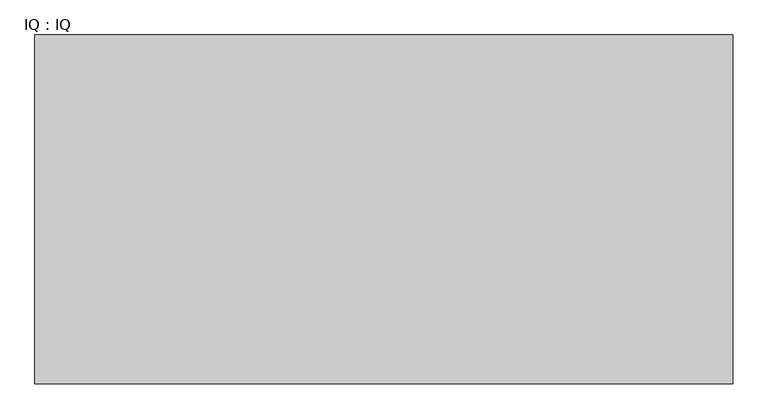
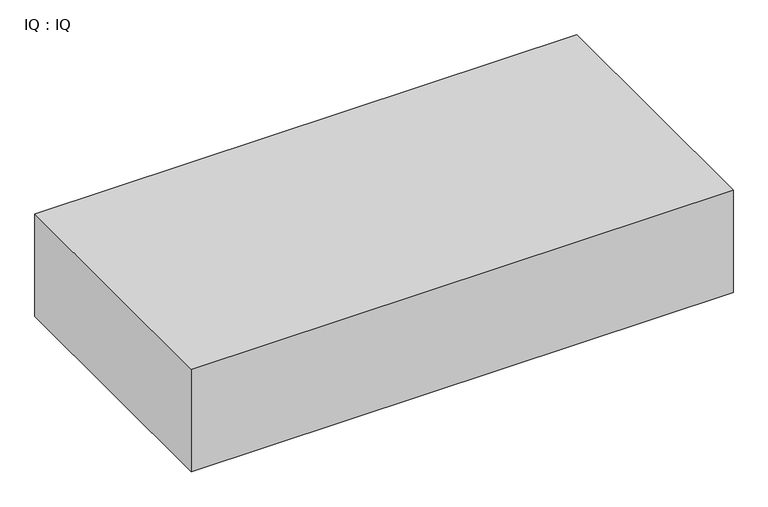
"""IFC4 building model written with IfcOpenShell, lengths in millimetres: proxy geometry, IQ : IQ."""

import ifcopenshell
import ifcopenshell.guid

model = None  # the IFC model being written
_history = None  # IfcOwnerHistory: only IFC2X3 demands one
_inside = {}  # id of a spatial element -> (the spatial element, [elements in it])
_under = {}  # id of a project, library or spatial element -> (it, [spatial elements below it])
_declared = {}  # id of a project -> (the project, [libraries it declares])
_typed = {}  # id of a type object -> (the type object, [elements of that type])
_made_of = {}  # id of a material, layer set ... -> (it, [elements and type objects made of it])


def new_model(schema):
    """Start an empty IFC model of exactly this schema.

    Asked for "IFC4X3", IfcOpenShell would pick the latest addendum, in which some entities
    have other attributes; the version numbers below select the first issue.
    IFC2X3 requires an IfcOwnerHistory on every rooted entity: one is made here for all.
    """
    global model, _history
    if schema == "IFC4X3":
        model = ifcopenshell.file(schema_version=(4, 3, 0, 0))
    else:
        model = ifcopenshell.file(schema=schema)
    _inside.clear()
    _under.clear()
    _declared.clear()
    _typed.clear()
    _made_of.clear()
    _history = None
    if model.schema == "IFC2X3":
        org = make("IfcOrganization", Name="unknown")
        user = make(
            "IfcPersonAndOrganization",
            ThePerson=make("IfcPerson", FamilyName="unknown"),
            TheOrganization=org,
        )
        app = make(
            "IfcApplication",
            ApplicationDeveloper=org,
            Version="unknown",
            ApplicationFullName="unknown",
            ApplicationIdentifier="unknown",
        )
        _history = make(
            "IfcOwnerHistory",
            OwningUser=user,
            OwningApplication=app,
            ChangeAction="ADDED",
            CreationDate=0,
        )
    return model


def make(cls, **values):
    """One entity of the class cls with the attributes given. An attribute that is None is left unset."""
    return model.create_entity(
        cls, **{name: value for name, value in values.items() if value is not None}
    )


def rooted(cls, **values):
    """An entity with a GlobalId (a new one), such as an element, a storey or a relation."""
    return make(cls, GlobalId=ifcopenshell.guid.new(), OwnerHistory=_history, **values)


def si_unit(unit_type, name, prefix=None):
    """IfcSIUnit, for example si_unit("LENGTHUNIT", "METRE", prefix="MILLI")."""
    return make("IfcSIUnit", UnitType=unit_type, Prefix=prefix, Name=name)


def assignment(units):
    """IfcUnitAssignment: the units of a project."""
    return None if units is None else make("IfcUnitAssignment", Units=units)


def point(xyz):
    """IfcCartesianPoint."""
    return None if xyz is None else make("IfcCartesianPoint", Coordinates=xyz)


def direction(xyz):
    """IfcDirection."""
    return None if xyz is None else make("IfcDirection", DirectionRatios=xyz)


def frame(location, z_axis=None, x_axis=None):
    """IfcAxis2Placement3D, a coordinate frame: its origin and axes. An axis left out is left unset."""
    return make(
        "IfcAxis2Placement3D",
        Location=point(location),
        Axis=direction(z_axis),
        RefDirection=direction(x_axis),
    )


def origin():
    """The frame at (0, 0, 0) with its axes left unset."""
    return frame((0.0, 0.0, 0.0))


def place(relative_to, where):
    """IfcLocalPlacement: puts the frame where relative to a parent placement (None: the world)."""
    return make(
        "IfcLocalPlacement", PlacementRelTo=relative_to, RelativePlacement=where
    )


def context(
    kind, dimensions, precision=None, world=None, true_north=None, identifier=None
):
    """IfcGeometricRepresentationContext, for example the 3D "Model" context."""
    return make(
        "IfcGeometricRepresentationContext",
        ContextIdentifier=identifier,
        ContextType=kind,
        CoordinateSpaceDimension=dimensions,
        Precision=precision,
        WorldCoordinateSystem=world,
        TrueNorth=true_north,
    )


def project(units=None, contexts=None):
    """IfcProject with its units and contexts."""
    return rooted(
        "IfcProject",
        Name="project",
        RepresentationContexts=contexts,
        UnitsInContext=assignment(units),
    )


def spatial(cls, under=None, at=None, **own):
    """A site, building, storey or space (cls), placed at a placement, below another one or the project."""
    s = rooted(cls, ObjectPlacement=at, **own)
    if under is not None:
        _under.setdefault(under.id(), (under, []))[1].append(s)
    return s


def polyline(points):
    """IfcPolyline through the points."""
    return make("IfcPolyline", Points=[point(p) for p in points])


def outline(outer, holes=None, kind="AREA"):
    """IfcArbitraryClosedProfileDef: a profile drawn as a closed curve; with holes, ...WithVoids."""
    if holes is None:
        return make("IfcArbitraryClosedProfileDef", ProfileType=kind, OuterCurve=outer)
    return make(
        "IfcArbitraryProfileDefWithVoids",
        ProfileType=kind,
        OuterCurve=outer,
        InnerCurves=holes,
    )


def extrude(swept, where, along, depth):
    """IfcExtrudedAreaSolid: the profile swept, set in the frame where, extruded along a direction by depth."""
    return make(
        "IfcExtrudedAreaSolid",
        SweptArea=swept,
        Position=where,
        ExtrudedDirection=direction(along),
        Depth=depth,
    )


def shape(context_of_items, identifier, shape_type, items):
    """IfcShapeRepresentation: the items that make up one representation, for example the "Body"."""
    return make(
        "IfcShapeRepresentation",
        ContextOfItems=context_of_items,
        RepresentationIdentifier=identifier,
        RepresentationType=shape_type,
        Items=items,
    )


def source(mapping_origin, context_of_items, identifier, shape_type, items):
    """IfcRepresentationMap: a shape defined once, which mapped items show again and again."""
    return make(
        "IfcRepresentationMap",
        MappingOrigin=mapping_origin,
        MappedRepresentation=shape(context_of_items, identifier, shape_type, items),
    )


def transform(
    local_origin,
    x_axis=None,
    y_axis=None,
    z_axis=None,
    scale=None,
    scale2=None,
    scale3=None,
    uniform=True,
):
    """IfcCartesianTransformationOperator3D, or its non-uniform kind. x_axis, y_axis, z_axis: its Axis1, 2, 3."""
    if uniform:
        return make(
            "IfcCartesianTransformationOperator3D",
            Axis1=direction(x_axis),
            Axis2=direction(y_axis),
            LocalOrigin=point(local_origin),
            Scale=scale,
            Axis3=direction(z_axis),
        )
    return make(
        "IfcCartesianTransformationOperator3DnonUniform",
        Axis1=direction(x_axis),
        Axis2=direction(y_axis),
        LocalOrigin=point(local_origin),
        Scale=scale,
        Axis3=direction(z_axis),
        Scale2=scale2,
        Scale3=scale3,
    )


def mapped(mapping_source, mapping_target):
    """IfcMappedItem: shows the shape of a source again, moved by a transform."""
    return make(
        "IfcMappedItem", MappingSource=mapping_source, MappingTarget=mapping_target
    )


def made_of(thing, what):
    """Note that an element or type object is made of a material, layer set ...; save() writes the relation."""
    if what is not None:
        _made_of.setdefault(what.id(), (what, []))[1].append(thing)
    return thing


def element(
    cls,
    number,
    at=None,
    inside=None,
    cuts=None,
    type_object=None,
    material=None,
    context=None,
    identifier="Body",
    shape_type=None,
    held_by="IfcProductDefinitionShape",
    body=None,
    shapes=None,
    **own,
):
    """One element of the class cls, such as IfcWall. Its Tag is "e" and its number.

    at: its placement. inside: the storey or other place that contains it. cuts: it is an
    opening in that element (IfcRelVoidsElement). A single representation is given by context,
    identifier, shape_type and body (its items); several are given by shapes. held_by: the class
    of the entity that holds the representations. save() writes the other relations.
    """
    e = rooted(cls, Tag="e%d" % number, ObjectPlacement=at, **own)
    if body is not None:
        shapes = [shape(context, identifier, shape_type, body)]
    if shapes is not None:
        e.Representation = make(held_by, Representations=shapes)
    if inside is not None:
        _inside.setdefault(inside.id(), (inside, []))[1].append(e)
    if cuts is not None:
        rooted(
            "IfcRelVoidsElement", RelatingBuildingElement=cuts, RelatedOpeningElement=e
        )
    if type_object is not None:
        _typed.setdefault(type_object.id(), (type_object, []))[1].append(e)
    return made_of(e, material)


def aggregate(whole, parts):
    """IfcRelAggregates: a whole, such as a stair, and the parts it consists of."""
    return rooted("IfcRelAggregates", RelatingObject=whole, RelatedObjects=parts)


def save(model, path):
    """Write the relations noted so far, then the file.

    IfcRelAggregates (storeys below a building ...), IfcRelContainedInSpatialStructure (elements
    in a storey), IfcRelDefinesByType, IfcRelAssociatesMaterial and IfcRelDeclares: one each for
    every whole, place, type object, material and project.
    """
    for whole, parts in _under.values():
        aggregate(whole, parts)
    for where, things in _inside.values():
        rooted(
            "IfcRelContainedInSpatialStructure",
            RelatedElements=things,
            RelatingStructure=where,
        )
    for kind, things in _typed.values():
        rooted("IfcRelDefinesByType", RelatedObjects=things, RelatingType=kind)
    for what, things in _made_of.values():
        rooted("IfcRelAssociatesMaterial", RelatedObjects=things, RelatingMaterial=what)
    for by, libraries in _declared.values():
        rooted("IfcRelDeclares", RelatingContext=by, RelatedDefinitions=libraries)
    model.write(path)


def iq_iq_cf562e9b(model_context):
    return source(origin(), model_context, "Body", "SweptSolid", [
        extrude(outline(polyline([(1000.0, 500.0), (1000.0, 0.0), (0.0, 0.0), (0.0, 500.0), (1000.0, 500.0)])), frame((0.0, 0.0, 400.0), z_axis=(0.0, 0.0, 1.0), x_axis=(1.0, 0.0, 0.0)), (0.0, 0.0, 1.0), 200.0),
    ])


if __name__ == "__main__":
    model = new_model("IFC4")
    model_context = context("Model", 3, world=origin())
    ifc_project = project(units=[si_unit("LENGTHUNIT", "METRE", prefix="MILLI")], contexts=[model_context])
    site = spatial("IfcSite", under=ifc_project)
    building = spatial("IfcBuilding", under=site)
    placement = place(None, origin())
    iq_iq_shape = iq_iq_cf562e9b(model_context)
    element("IfcBuildingElementProxy", 1, Name="IQ : IQ", ObjectType="IQ : IQ", at=placement, inside=building, context=model_context, shape_type="MappedRepresentation", body=[
        mapped(iq_iq_shape, transform((0.0, 0.0, 0.0), x_axis=(1.0, 0.0, 0.0), y_axis=(0.0, 1.0, 0.0), z_axis=(0.0, 0.0, 1.0))),
    ])
    save(model, "model.ifc")
